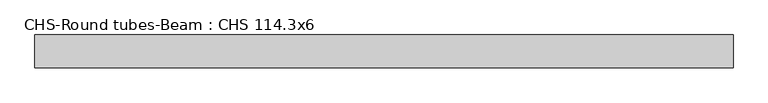
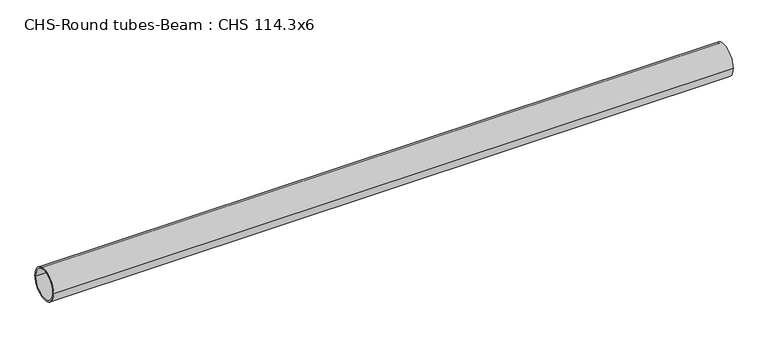
"""IFC4 building model written with IfcOpenShell, lengths in millimetres: beam geometry, CHS-Round tubes-Beam : CHS 114.3x6."""

from ifc_helpers import new_model, si_unit, point, frame, origin, origin_2d, place, context, project, spatial, circle_curve, trimmed, segment, composite_curve, outline, extrude, source, transform, mapped, element, save


def chs_round_tubes_beam_chs_114_3x6_1adc183d(model_context):
    return source(origin(), model_context, "Body", "SweptSolid", [
        extrude(outline(composite_curve([segment(trimmed(circle_curve(origin_2d(), 57.15), [point((57.15, 0.0))], [point((-57.15, 0.0))], False, "CARTESIAN"), True, "CONTINUOUS"), segment(trimmed(circle_curve(origin_2d(), 57.15), [point((-57.15, 0.0))], [point((57.15, 0.0))], False, "CARTESIAN"), True, "CONTINUOUS")], self_intersect=False), holes=[composite_curve([segment(trimmed(circle_curve(origin_2d(), 51.15), [point((51.15, 0.0))], [point((-51.15, 0.0))], True, "CARTESIAN"), True, "CONTINUOUS"), segment(trimmed(circle_curve(origin_2d(), 51.15), [point((-51.15, 0.0))], [point((51.15, 0.0))], True, "CARTESIAN"), True, "CONTINUOUS")], self_intersect=False)]), frame((-1177.8600241, 0.0, 0.0), z_axis=(1.0, 0.0, 0.0), x_axis=(0.0, 1.0, 0.0)), (0.0, 0.0, 1.0), 2423.9087008),
    ])


if __name__ == "__main__":
    model = new_model("IFC4")
    model_context = context("Model", 3, world=origin())
    ifc_project = project(units=[si_unit("LENGTHUNIT", "METRE", prefix="MILLI")], contexts=[model_context])
    site = spatial("IfcSite", under=ifc_project)
    building = spatial("IfcBuilding", under=site)
    placement = place(None, origin())
    chs_round_tubes_beam_chs_114_3x6_shape = chs_round_tubes_beam_chs_114_3x6_1adc183d(model_context)
    element("IfcBeam", 1, ObjectType="CHS-Round tubes-Beam : CHS 114.3x6", at=placement, inside=building, context=model_context, shape_type="MappedRepresentation", body=[
        mapped(chs_round_tubes_beam_chs_114_3x6_shape, transform((0.0, 0.0, 0.0), x_axis=(1.0, 0.0, 0.0), y_axis=(0.0, 1.0, 0.0), z_axis=(0.0, 0.0, 1.0))),
    ])
    save(model, "model.ifc")
